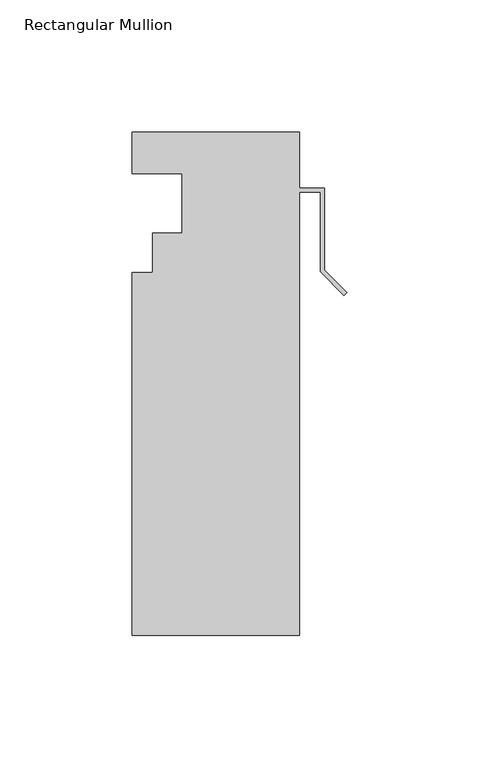
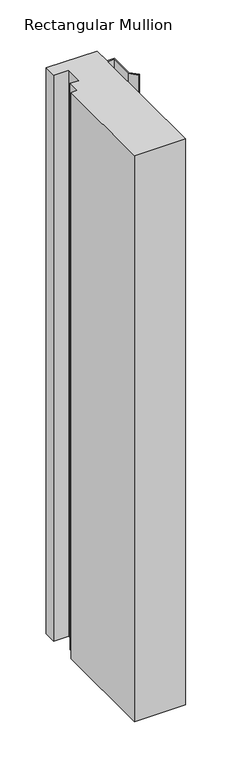
"""IFC4 building model written with IfcOpenShell, lengths in millimetres: member geometry, Rectangular Mullion."""

import ifcopenshell
import ifcopenshell.guid

model = None  # the IFC model being written
_history = None  # IfcOwnerHistory: only IFC2X3 demands one
_inside = {}  # id of a spatial element -> (the spatial element, [elements in it])
_under = {}  # id of a project, library or spatial element -> (it, [spatial elements below it])
_declared = {}  # id of a project -> (the project, [libraries it declares])
_typed = {}  # id of a type object -> (the type object, [elements of that type])
_made_of = {}  # id of a material, layer set ... -> (it, [elements and type objects made of it])


def new_model(schema):
    """Start an empty IFC model of exactly this schema.

    Asked for "IFC4X3", IfcOpenShell would pick the latest addendum, in which some entities
    have other attributes; the version numbers below select the first issue.
    IFC2X3 requires an IfcOwnerHistory on every rooted entity: one is made here for all.
    """
    global model, _history
    if schema == "IFC4X3":
        model = ifcopenshell.file(schema_version=(4, 3, 0, 0))
    else:
        model = ifcopenshell.file(schema=schema)
    _inside.clear()
    _under.clear()
    _declared.clear()
    _typed.clear()
    _made_of.clear()
    _history = None
    if model.schema == "IFC2X3":
        org = make("IfcOrganization", Name="unknown")
        user = make(
            "IfcPersonAndOrganization",
            ThePerson=make("IfcPerson", FamilyName="unknown"),
            TheOrganization=org,
        )
        app = make(
            "IfcApplication",
            ApplicationDeveloper=org,
            Version="unknown",
            ApplicationFullName="unknown",
            ApplicationIdentifier="unknown",
        )
        _history = make(
            "IfcOwnerHistory",
            OwningUser=user,
            OwningApplication=app,
            ChangeAction="ADDED",
            CreationDate=0,
        )
    return model


def make(cls, **values):
    """One entity of the class cls with the attributes given. An attribute that is None is left unset."""
    return model.create_entity(
        cls, **{name: value for name, value in values.items() if value is not None}
    )


def rooted(cls, **values):
    """An entity with a GlobalId (a new one), such as an element, a storey or a relation."""
    return make(cls, GlobalId=ifcopenshell.guid.new(), OwnerHistory=_history, **values)


def si_unit(unit_type, name, prefix=None):
    """IfcSIUnit, for example si_unit("LENGTHUNIT", "METRE", prefix="MILLI")."""
    return make("IfcSIUnit", UnitType=unit_type, Prefix=prefix, Name=name)


def assignment(units):
    """IfcUnitAssignment: the units of a project."""
    return None if units is None else make("IfcUnitAssignment", Units=units)


def point(xyz):
    """IfcCartesianPoint."""
    return None if xyz is None else make("IfcCartesianPoint", Coordinates=xyz)


def direction(xyz):
    """IfcDirection."""
    return None if xyz is None else make("IfcDirection", DirectionRatios=xyz)


def frame(location, z_axis=None, x_axis=None):
    """IfcAxis2Placement3D, a coordinate frame: its origin and axes. An axis left out is left unset."""
    return make(
        "IfcAxis2Placement3D",
        Location=point(location),
        Axis=direction(z_axis),
        RefDirection=direction(x_axis),
    )


def origin():
    """The frame at (0, 0, 0) with its axes left unset."""
    return frame((0.0, 0.0, 0.0))


def place(relative_to, where):
    """IfcLocalPlacement: puts the frame where relative to a parent placement (None: the world)."""
    return make(
        "IfcLocalPlacement", PlacementRelTo=relative_to, RelativePlacement=where
    )


def context(
    kind, dimensions, precision=None, world=None, true_north=None, identifier=None
):
    """IfcGeometricRepresentationContext, for example the 3D "Model" context."""
    return make(
        "IfcGeometricRepresentationContext",
        ContextIdentifier=identifier,
        ContextType=kind,
        CoordinateSpaceDimension=dimensions,
        Precision=precision,
        WorldCoordinateSystem=world,
        TrueNorth=true_north,
    )


def project(units=None, contexts=None):
    """IfcProject with its units and contexts."""
    return rooted(
        "IfcProject",
        Name="project",
        RepresentationContexts=contexts,
        UnitsInContext=assignment(units),
    )


def spatial(cls, under=None, at=None, **own):
    """A site, building, storey or space (cls), placed at a placement, below another one or the project."""
    s = rooted(cls, ObjectPlacement=at, **own)
    if under is not None:
        _under.setdefault(under.id(), (under, []))[1].append(s)
    return s


def polyline(points):
    """IfcPolyline through the points."""
    return make("IfcPolyline", Points=[point(p) for p in points])


def outline(outer, holes=None, kind="AREA"):
    """IfcArbitraryClosedProfileDef: a profile drawn as a closed curve; with holes, ...WithVoids."""
    if holes is None:
        return make("IfcArbitraryClosedProfileDef", ProfileType=kind, OuterCurve=outer)
    return make(
        "IfcArbitraryProfileDefWithVoids",
        ProfileType=kind,
        OuterCurve=outer,
        InnerCurves=holes,
    )


def extrude(swept, where, along, depth):
    """IfcExtrudedAreaSolid: the profile swept, set in the frame where, extruded along a direction by depth."""
    return make(
        "IfcExtrudedAreaSolid",
        SweptArea=swept,
        Position=where,
        ExtrudedDirection=direction(along),
        Depth=depth,
    )


def shape(context_of_items, identifier, shape_type, items):
    """IfcShapeRepresentation: the items that make up one representation, for example the "Body"."""
    return make(
        "IfcShapeRepresentation",
        ContextOfItems=context_of_items,
        RepresentationIdentifier=identifier,
        RepresentationType=shape_type,
        Items=items,
    )


def source(mapping_origin, context_of_items, identifier, shape_type, items):
    """IfcRepresentationMap: a shape defined once, which mapped items show again and again."""
    return make(
        "IfcRepresentationMap",
        MappingOrigin=mapping_origin,
        MappedRepresentation=shape(context_of_items, identifier, shape_type, items),
    )


def transform(
    local_origin,
    x_axis=None,
    y_axis=None,
    z_axis=None,
    scale=None,
    scale2=None,
    scale3=None,
    uniform=True,
):
    """IfcCartesianTransformationOperator3D, or its non-uniform kind. x_axis, y_axis, z_axis: its Axis1, 2, 3."""
    if uniform:
        return make(
            "IfcCartesianTransformationOperator3D",
            Axis1=direction(x_axis),
            Axis2=direction(y_axis),
            LocalOrigin=point(local_origin),
            Scale=scale,
            Axis3=direction(z_axis),
        )
    return make(
        "IfcCartesianTransformationOperator3DnonUniform",
        Axis1=direction(x_axis),
        Axis2=direction(y_axis),
        LocalOrigin=point(local_origin),
        Scale=scale,
        Axis3=direction(z_axis),
        Scale2=scale2,
        Scale3=scale3,
    )


def mapped(mapping_source, mapping_target):
    """IfcMappedItem: shows the shape of a source again, moved by a transform."""
    return make(
        "IfcMappedItem", MappingSource=mapping_source, MappingTarget=mapping_target
    )


def made_of(thing, what):
    """Note that an element or type object is made of a material, layer set ...; save() writes the relation."""
    if what is not None:
        _made_of.setdefault(what.id(), (what, []))[1].append(thing)
    return thing


def element(
    cls,
    number,
    at=None,
    inside=None,
    cuts=None,
    type_object=None,
    material=None,
    context=None,
    identifier="Body",
    shape_type=None,
    held_by="IfcProductDefinitionShape",
    body=None,
    shapes=None,
    **own,
):
    """One element of the class cls, such as IfcWall. Its Tag is "e" and its number.

    at: its placement. inside: the storey or other place that contains it. cuts: it is an
    opening in that element (IfcRelVoidsElement). A single representation is given by context,
    identifier, shape_type and body (its items); several are given by shapes. held_by: the class
    of the entity that holds the representations. save() writes the other relations.
    """
    e = rooted(cls, Tag="e%d" % number, ObjectPlacement=at, **own)
    if body is not None:
        shapes = [shape(context, identifier, shape_type, body)]
    if shapes is not None:
        e.Representation = make(held_by, Representations=shapes)
    if inside is not None:
        _inside.setdefault(inside.id(), (inside, []))[1].append(e)
    if cuts is not None:
        rooted(
            "IfcRelVoidsElement", RelatingBuildingElement=cuts, RelatedOpeningElement=e
        )
    if type_object is not None:
        _typed.setdefault(type_object.id(), (type_object, []))[1].append(e)
    return made_of(e, material)


def aggregate(whole, parts):
    """IfcRelAggregates: a whole, such as a stair, and the parts it consists of."""
    return rooted("IfcRelAggregates", RelatingObject=whole, RelatedObjects=parts)


def save(model, path):
    """Write the relations noted so far, then the file.

    IfcRelAggregates (storeys below a building ...), IfcRelContainedInSpatialStructure (elements
    in a storey), IfcRelDefinesByType, IfcRelAssociatesMaterial and IfcRelDeclares: one each for
    every whole, place, type object, material and project.
    """
    for whole, parts in _under.values():
        aggregate(whole, parts)
    for where, things in _inside.values():
        rooted(
            "IfcRelContainedInSpatialStructure",
            RelatedElements=things,
            RelatingStructure=where,
        )
    for kind, things in _typed.values():
        rooted("IfcRelDefinesByType", RelatedObjects=things, RelatingType=kind)
    for what, things in _made_of.values():
        rooted("IfcRelAssociatesMaterial", RelatedObjects=things, RelatingMaterial=what)
    for by, libraries in _declared.values():
        rooted("IfcRelDeclares", RelatingContext=by, RelatedDefinitions=libraries)
    model.write(path)


def rectangular_mullion_542882d0(model_context):
    return source(origin(), model_context, "Body", "SweptSolid", [
        extrude(outline(polyline([(-81.5440079, -53.0629813), (-73.6192079, -53.0629813), (-73.6192079, -38.0007812), (-62.4940079, -38.0007812), (-62.4940079, -15.5217812), (-81.5440079, -15.5217812), (-81.5440079, 0.3278188), (-18.0440079, 0.3278188), (-18.0440079, -20.9065813), (-8.5190079, -20.9065813), (-8.5190079, -52.0042777), (0.0, -60.5232856), (-1.1135518, -61.6368374), (-10.0938079, -52.6565813), (-10.0938079, -22.4813813), (-18.0440079, -22.4813813), (-18.0440079, -190.4007812), (-81.5440079, -190.4007812), (-81.5440079, -53.0629813)])), frame((0.0, 0.0, -746.2855689), z_axis=(0.0, 0.0, 1.0), x_axis=(1.0, 0.0, 0.0)), (0.0, 0.0, 1.0), 746.2855689),
    ])


if __name__ == "__main__":
    model = new_model("IFC4")
    model_context = context("Model", 3, world=origin())
    ifc_project = project(units=[si_unit("LENGTHUNIT", "METRE", prefix="MILLI")], contexts=[model_context])
    site = spatial("IfcSite", under=ifc_project)
    building = spatial("IfcBuilding", under=site)
    placement = place(None, origin())
    rectangular_mullion_shape = rectangular_mullion_542882d0(model_context)
    element("IfcMember", 1, ObjectType="Rectangular Mullion", at=placement, inside=building, context=model_context, shape_type="MappedRepresentation", body=[
        mapped(rectangular_mullion_shape, transform((0.0, 0.0, 0.0), x_axis=(1.0, 0.0, 0.0), y_axis=(0.0, 1.0, 0.0), z_axis=(0.0, 0.0, 1.0))),
    ])
    save(model, "model.ifc")
